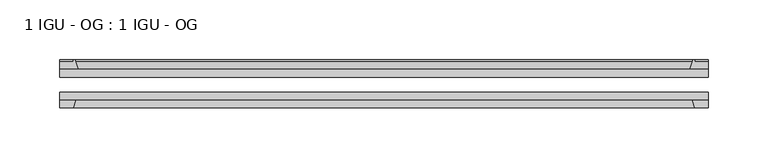
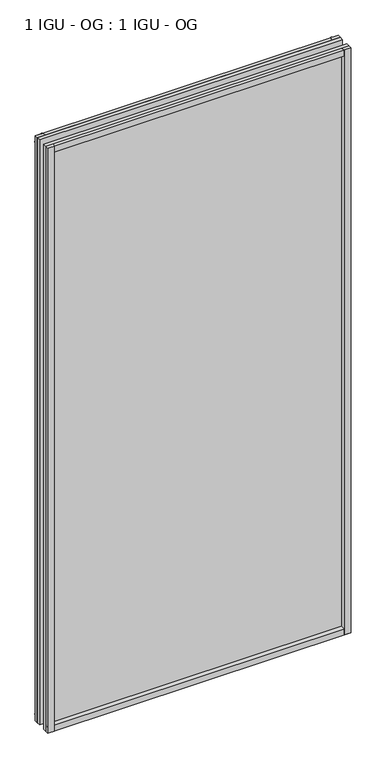
"""IFC4 building model written with IfcOpenShell, lengths in millimetres: plate geometry, 1 IGU - OG : 1 IGU - OG."""

from ifc_helpers import new_model, si_unit, point, frame, frame_2d, origin, place, context, project, spatial, polyline, circle_curve, trimmed, segment, composite_curve, outline, extrude, source, transform, mapped, element, save


def plate_1_igu_og_1_igu_og_fcf4d26c(model_context):
    return source(origin(), model_context, "Body", "SweptSolid", [
        extrude(outline(polyline([(270.2380953, -31.75), (270.2380953, -38.1), (-270.2380953, -38.1), (-270.2380953, -31.75), (270.2380953, -31.75)])), frame((0.0, 0.0, -11.1125), z_axis=(0.0, 0.0, 1.0), x_axis=(1.0, 0.0, 0.0)), (0.0, 0.0, 1.0), 1101.725),
        extrude(outline(polyline([(-270.2380953, -12.7), (270.2380953, -12.7), (270.2380953, -19.05), (-270.2380953, -19.05), (-270.2380953, -12.7)])), frame((0.0, 0.0, -11.1125), z_axis=(0.0, 0.0, 1.0), x_axis=(1.0, 0.0, 0.0)), (0.0, 0.0, 1.0), 1101.725),
        extrude(outline(composite_curve([segment(polyline([(-254.9023044, -12.7), (-270.2380953, -12.7), (-270.2380953, -6.35), (-259.1255953, -6.35), (-259.1255953, -4.7751661), (-258.1961814, -4.7751661)]), True, "CONTINUOUS"), segment(trimmed(circle_curve(frame_2d((-258.1961814, -5.5371661)), 0.762), [point((-258.1961814, -4.7751661))], [point((-257.4539714, -5.364631))], False, "CARTESIAN"), True, "CONTINUOUS"), segment(trimmed(circle_curve(frame_2d((-221.8247532, 2.9177851)), 36.5792237), [point((-257.4539714, -5.364631))], [point((-254.9023044, -12.7))], True, "CARTESIAN"), True, "CONTINUOUS")], self_intersect=False)), frame((0.0, 0.0, -11.1125), z_axis=(0.0, 0.0, 1.0), x_axis=(1.0, 0.0, 0.0)), (0.0, 0.0, 1.0), 1101.725),
        extrude(outline(polyline([(-270.2380953, -38.1), (-257.0203182, -38.1), (-259.1255953, -44.45), (-270.2380953, -44.45), (-270.2380953, -38.1)])), frame((0.0, 0.0, -11.1125), z_axis=(0.0, 0.0, 1.0), x_axis=(1.0, 0.0, 0.0)), (0.0, 0.0, 1.0), 1101.725),
        extrude(outline(composite_curve([segment(trimmed(circle_curve(frame_2d((258.1961814, -5.5371661)), 0.762), [point((257.4539714, -5.364631))], [point((258.1961814, -4.7751661))], False, "CARTESIAN"), True, "CONTINUOUS"), segment(polyline([(258.1961814, -4.7751661), (259.1255953, -4.7751661), (259.1255953, -6.35), (270.2380953, -6.35), (270.2380953, -12.7), (254.9023044, -12.7)]), True, "CONTINUOUS"), segment(trimmed(circle_curve(frame_2d((221.8247532, 2.9177851)), 36.5792237), [point((254.9023044, -12.7))], [point((257.4539714, -5.364631))], True, "CARTESIAN"), True, "CONTINUOUS")], self_intersect=False)), frame((0.0, 0.0, -11.1125), z_axis=(0.0, 0.0, 1.0), x_axis=(1.0, 0.0, 0.0)), (0.0, 0.0, 1.0), 1101.725),
        extrude(outline(polyline([(257.0203182, -38.1), (270.2380953, -38.1), (270.2380953, -44.45), (259.1255953, -44.45), (257.0203182, -38.1)])), frame((0.0, 0.0, -11.1125), z_axis=(0.0, 0.0, 1.0), x_axis=(1.0, 0.0, 0.0)), (0.0, 0.0, 1.0), 1101.725),
        extrude(outline(composite_curve([segment(polyline([(-12.7, -11.1125), (-12.7, 4.2232909)]), True, "CONTINUOUS"), segment(trimmed(circle_curve(frame_2d((2.9177851, 37.3008421)), 36.5792237), [point((-12.7, 4.2232909))], [point((-5.364631, 1.6716239))], True, "CARTESIAN"), True, "CONTINUOUS"), segment(trimmed(circle_curve(frame_2d((-5.5371661, 0.929414)), 0.762), [point((-5.364631, 1.6716239))], [point((-4.7751661, 0.929414))], False, "CARTESIAN"), True, "CONTINUOUS"), segment(polyline([(-4.7751661, 0.929414), (-4.7751661, 0.0), (-6.35, 0.0), (-6.35, -11.1125), (-12.7, -11.1125)]), True, "CONTINUOUS")], self_intersect=False)), frame((-270.2380953, 0.0, 0.0), z_axis=(1.0, 0.0, 0.0), x_axis=(0.0, 1.0, 0.0)), (0.0, 0.0, 1.0), 540.4761906),
        extrude(outline(polyline([(-38.1, 2.1052771), (-38.1, -11.1125), (-44.45, -11.1125), (-44.45, 0.0), (-38.1, 2.1052771)])), frame((-270.2380953, 0.0, 0.0), z_axis=(1.0, 0.0, 0.0), x_axis=(0.0, 1.0, 0.0)), (0.0, 0.0, 1.0), 540.4761906),
        extrude(outline(composite_curve([segment(trimmed(circle_curve(frame_2d((2.9177851, 1042.1991578)), 36.5792237), [point((-5.364631, 1077.8283761))], [point((-12.7, 1075.2767091))], True, "CARTESIAN"), True, "CONTINUOUS"), segment(polyline([(-12.7, 1075.2767091), (-12.7, 1090.6125), (-6.35, 1090.6125), (-6.35, 1079.5), (-4.7751661, 1079.5), (-4.7751661, 1078.570586)]), True, "CONTINUOUS"), segment(trimmed(circle_curve(frame_2d((-5.5371661, 1078.570586)), 0.762), [point((-4.7751661, 1078.570586))], [point((-5.364631, 1077.8283761))], False, "CARTESIAN"), True, "CONTINUOUS")], self_intersect=False)), frame((-270.2380953, 0.0, 0.0), z_axis=(1.0, 0.0, 0.0), x_axis=(0.0, 1.0, 0.0)), (0.0, 0.0, 1.0), 540.4761906),
        extrude(outline(polyline([(-38.1, 1090.6125), (-38.1, 1077.3947229), (-44.45, 1079.5), (-44.45, 1090.6125), (-38.1, 1090.6125)])), frame((-270.2380953, 0.0, 0.0), z_axis=(1.0, 0.0, 0.0), x_axis=(0.0, 1.0, 0.0)), (0.0, 0.0, 1.0), 540.4761906),
    ])


if __name__ == "__main__":
    model = new_model("IFC4")
    model_context = context("Model", 3, world=origin())
    ifc_project = project(units=[si_unit("LENGTHUNIT", "METRE", prefix="MILLI")], contexts=[model_context])
    site = spatial("IfcSite", under=ifc_project)
    building = spatial("IfcBuilding", under=site)
    placement = place(None, origin())
    plate_1_igu_og_1_igu_og_shape = plate_1_igu_og_1_igu_og_fcf4d26c(model_context)
    element("IfcPlate", 1, ObjectType="1 IGU - OG : 1 IGU - OG", at=placement, inside=building, context=model_context, shape_type="MappedRepresentation", body=[
        mapped(plate_1_igu_og_1_igu_og_shape, transform((0.0, 0.0, 0.0), x_axis=(1.0, 0.0, 0.0), y_axis=(0.0, 1.0, 0.0), z_axis=(0.0, 0.0, 1.0))),
    ])
    save(model, "model.ifc")
